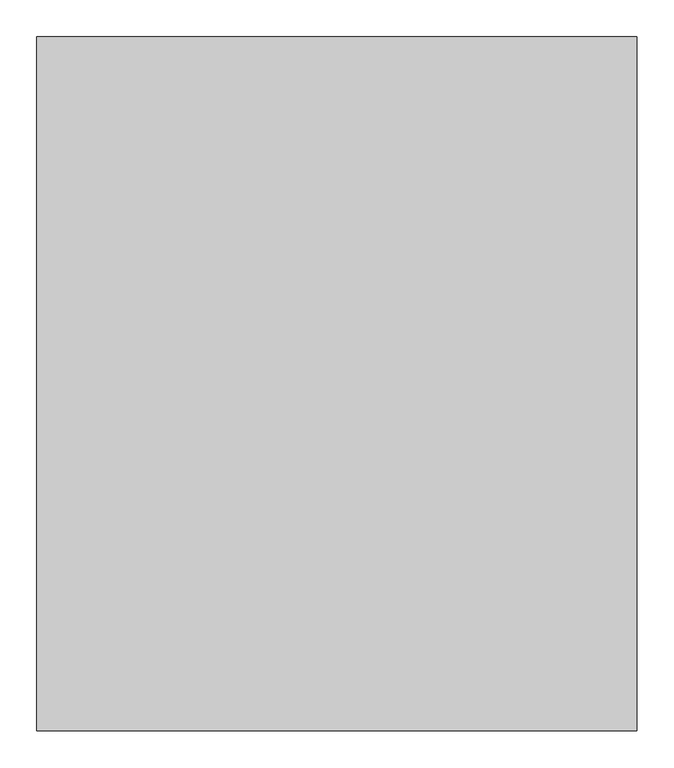
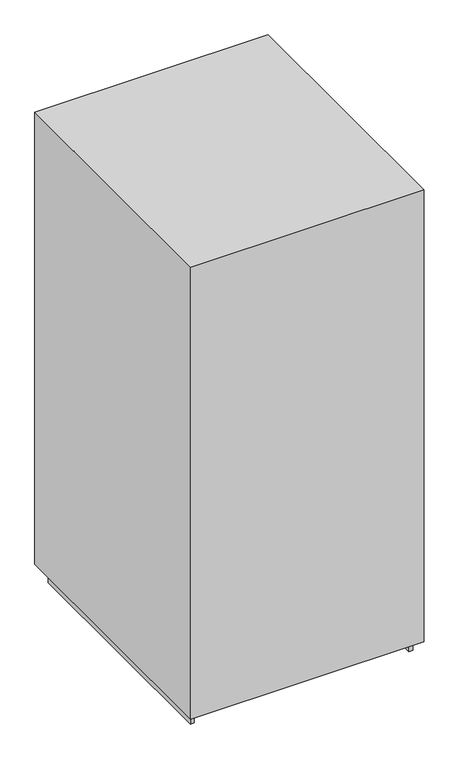
"""IFC4 building model written with IfcOpenShell, lengths in millimetres: proxy geometry."""

from ifc_helpers import new_model, si_unit, frame, origin, origin_with_axes, place, context, project, spatial, polyline, outline, extrude, source, transform, mapped, element, save


def specialty_equipment_4af6361c(model_context):
    return source(origin(), model_context, "Body", "SweptSolid", [
        extrude(outline(polyline([(406.4, 469.9), (406.4, -469.9), (-406.4, -469.9), (-406.4, 469.9), (406.4, 469.9)])), frame((0.0, 0.0, 50.8), z_axis=(0.0, 0.0, 1.0), x_axis=(1.0, 0.0, 0.0)), (0.0, 0.0, 1.0), 1663.7),
        extrude(outline(polyline([(391.1206098, -428.7193639), (378.4206098, -428.7193639), (378.4206098, 428.831145), (391.1206098, 428.831145), (391.1206098, -428.7193639)])), origin_with_axes(), (0.0, 0.0, 1.0), 50.8),
        extrude(outline(polyline([(-370.8793902, -428.7193639), (-383.5793902, -428.7193639), (-383.5793902, 428.831145), (-370.8793902, 428.831145), (-370.8793902, -428.7193639)])), origin_with_axes(), (0.0, 0.0, 1.0), 50.8),
    ])


if __name__ == "__main__":
    model = new_model("IFC4")
    model_context = context("Model", 3, world=origin())
    ifc_project = project(units=[si_unit("LENGTHUNIT", "METRE", prefix="MILLI")], contexts=[model_context])
    site = spatial("IfcSite", under=ifc_project)
    building = spatial("IfcBuilding", under=site)
    placement = place(None, origin())
    specialty_equipment_shape = specialty_equipment_4af6361c(model_context)
    element("IfcBuildingElementProxy", 1, Name="Specialty Equipment", at=placement, inside=building, context=model_context, shape_type="MappedRepresentation", body=[
        mapped(specialty_equipment_shape, transform((0.0, 0.0, 0.0), x_axis=(1.0, 0.0, 0.0), y_axis=(0.0, 1.0, 0.0), z_axis=(0.0, 0.0, 1.0))),
    ])
    save(model, "model.ifc")
